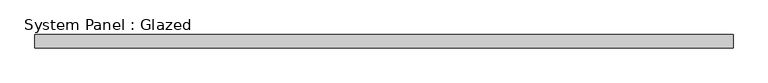
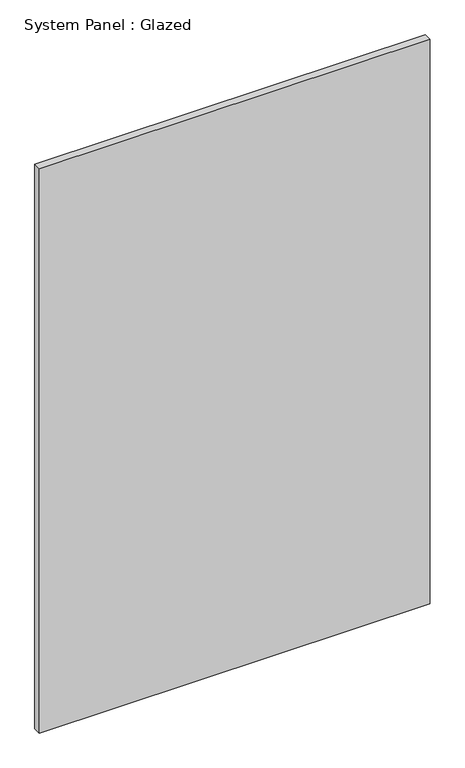
"""IFC4 building model written with IfcOpenShell, lengths in millimetres: plate geometry, System Panel : Glazed."""

from ifc_helpers import new_model, si_unit, origin, origin_with_axes, place, context, project, spatial, polyline, outline, extrude, source, transform, mapped, element, save


def system_panel_glazed_3f4b46aa(model_context):
    return source(origin(), model_context, "Body", "SweptSolid", [
        extrude(outline(polyline([(655.0, 24.5), (-655.0, 24.5), (-655.0, 49.5), (655.0, 49.5), (655.0, 24.5)])), origin_with_axes(), (0.0, 0.0, 1.0), 2000.0),
    ])


if __name__ == "__main__":
    model = new_model("IFC4")
    model_context = context("Model", 3, world=origin())
    ifc_project = project(units=[si_unit("LENGTHUNIT", "METRE", prefix="MILLI")], contexts=[model_context])
    site = spatial("IfcSite", under=ifc_project)
    building = spatial("IfcBuilding", under=site)
    placement = place(None, origin())
    system_panel_glazed_shape = system_panel_glazed_3f4b46aa(model_context)
    element("IfcPlate", 1, ObjectType="System Panel : Glazed", at=placement, inside=building, context=model_context, shape_type="MappedRepresentation", body=[
        mapped(system_panel_glazed_shape, transform((0.0, 0.0, 0.0), x_axis=(1.0, 0.0, 0.0), y_axis=(0.0, 1.0, 0.0), z_axis=(0.0, 0.0, 1.0))),
    ])
    save(model, "model.ifc")
